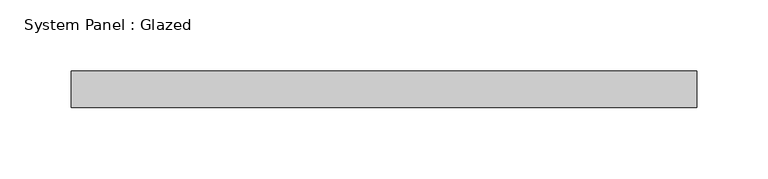
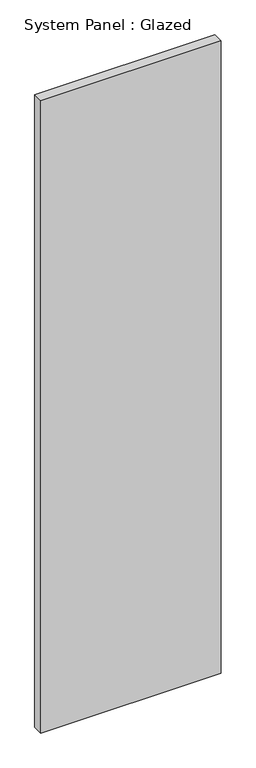
"""IFC4 building model written with IfcOpenShell, lengths in millimetres: plate geometry, System Panel : Glazed."""

from ifc_helpers import new_model, si_unit, origin, origin_with_axes, place, context, project, spatial, polyline, outline, extrude, source, transform, mapped, element, save


def system_panel_glazed_1757b5cf(model_context):
    return source(origin(), model_context, "Body", "SweptSolid", [
        extrude(outline(polyline([(219.075, -12.7), (-219.075, -12.7), (-219.075, 12.7), (219.075, 12.7), (219.075, -12.7)])), origin_with_axes(), (0.0, 0.0, 1.0), 1625.6),
    ])


if __name__ == "__main__":
    model = new_model("IFC4")
    model_context = context("Model", 3, world=origin())
    ifc_project = project(units=[si_unit("LENGTHUNIT", "METRE", prefix="MILLI")], contexts=[model_context])
    site = spatial("IfcSite", under=ifc_project)
    building = spatial("IfcBuilding", under=site)
    placement = place(None, origin())
    system_panel_glazed_shape = system_panel_glazed_1757b5cf(model_context)
    element("IfcPlate", 1, ObjectType="System Panel : Glazed", at=placement, inside=building, context=model_context, shape_type="MappedRepresentation", body=[
        mapped(system_panel_glazed_shape, transform((0.0, 0.0, 0.0), x_axis=(1.0, 0.0, 0.0), y_axis=(0.0, 1.0, 0.0), z_axis=(0.0, 0.0, 1.0))),
    ])
    save(model, "model.ifc")
